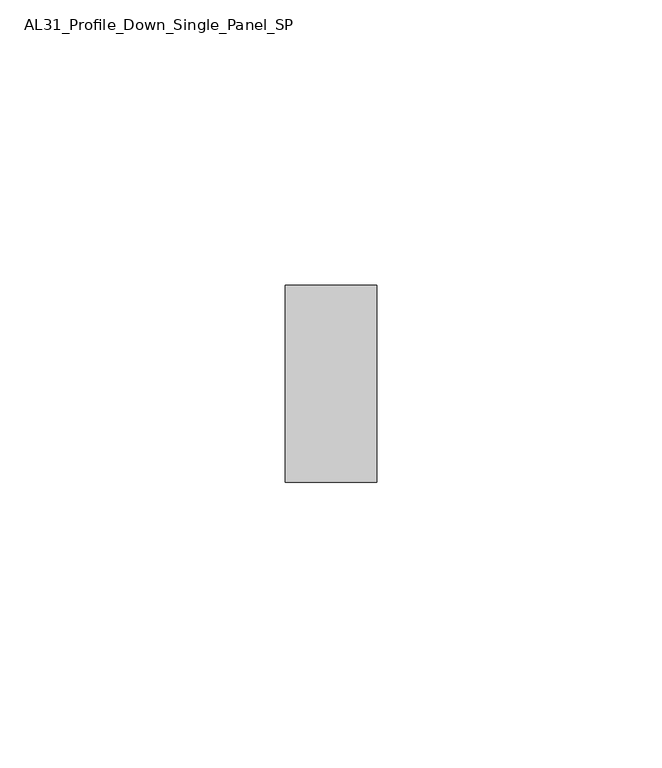
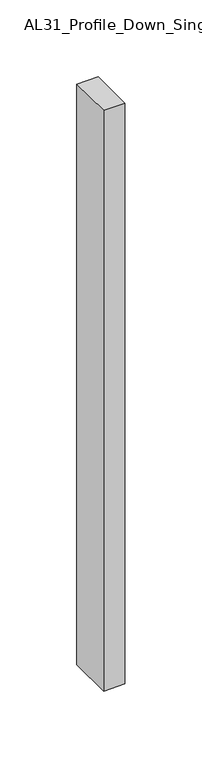
"""IFC4 building model written with IfcOpenShell, lengths in millimetres: member geometry, AL31_Profile_Down_Single_Panel_SP."""

from ifc_helpers import new_model, si_unit, frame, origin, place, context, project, spatial, polyline, outline, extrude, source, transform, mapped, element, save


def al31_profile_down_single_panel_sp_49f3e9b3(model_context):
    return source(origin(), model_context, "Body", "SweptSolid", [
        extrude(outline(polyline([(0.0, -17.25), (-16.0, -17.25), (-16.0, 17.25), (0.0, 17.25), (0.0, -17.25)])), frame((0.0, 0.0, -460.3602632), z_axis=(0.0, 0.0, 1.0), x_axis=(1.0, 0.0, 0.0)), (0.0, 0.0, 1.0), 460.3602632),
    ])


if __name__ == "__main__":
    model = new_model("IFC4")
    model_context = context("Model", 3, world=origin())
    ifc_project = project(units=[si_unit("LENGTHUNIT", "METRE", prefix="MILLI")], contexts=[model_context])
    site = spatial("IfcSite", under=ifc_project)
    building = spatial("IfcBuilding", under=site)
    placement = place(None, origin())
    al31_profile_down_single_panel_sp_shape = al31_profile_down_single_panel_sp_49f3e9b3(model_context)
    element("IfcMember", 1, ObjectType="AL31_Profile_Down_Single_Panel_SP", at=placement, inside=building, context=model_context, shape_type="MappedRepresentation", body=[
        mapped(al31_profile_down_single_panel_sp_shape, transform((0.0, 0.0, 0.0), x_axis=(1.0, 0.0, 0.0), y_axis=(0.0, 1.0, 0.0), z_axis=(0.0, 0.0, 1.0))),
    ])
    save(model, "model.ifc")
